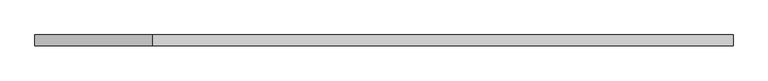
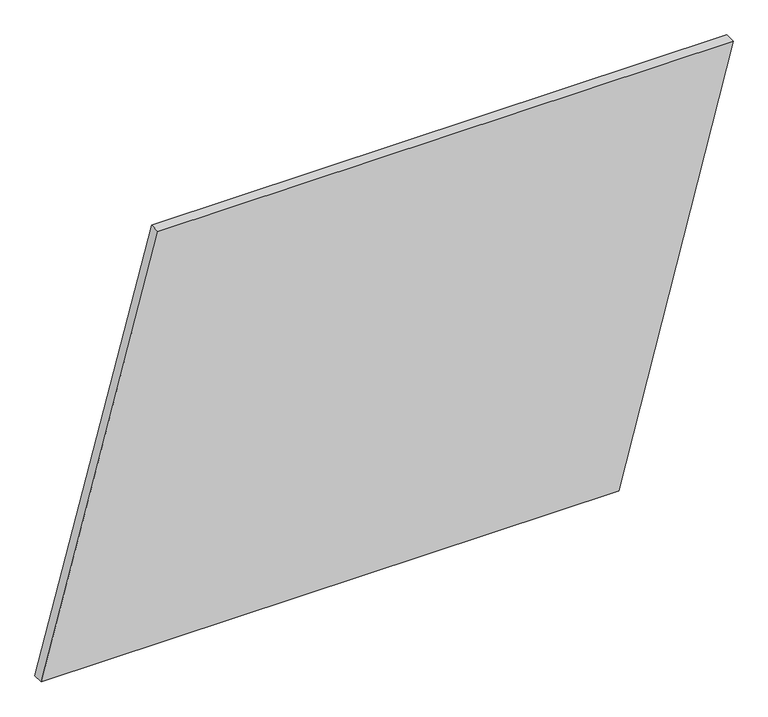
"""IFC4 building model written with IfcOpenShell, lengths in millimetres: plate geometry."""

from ifc_helpers import new_model, si_unit, frame, origin, place, context, project, spatial, polyline, outline, extrude, source, transform, mapped, element, save


def plate_a743c93b(model_context):
    return source(origin(), model_context, "Body", "SweptSolid", [
        extrude(outline(polyline([(0.0, -793.9147613), (0.0, 530.9980848), (1000.0, 793.9147613), (1000.0, -525.9655689), (0.0, -793.9147613)])), frame((0.0, 24.5, 0.0), z_axis=(0.0, 1.0, 0.0), x_axis=(0.0, 0.0, 1.0)), (0.0, 0.0, 1.0), 25.0),
    ])


if __name__ == "__main__":
    model = new_model("IFC4")
    model_context = context("Model", 3, world=origin())
    ifc_project = project(units=[si_unit("LENGTHUNIT", "METRE", prefix="MILLI")], contexts=[model_context])
    site = spatial("IfcSite", under=ifc_project)
    building = spatial("IfcBuilding", under=site)
    placement = place(None, origin())
    plate_shape = plate_a743c93b(model_context)
    element("IfcPlate", 1, at=placement, inside=building, context=model_context, shape_type="MappedRepresentation", body=[
        mapped(plate_shape, transform((0.0, 0.0, 0.0), x_axis=(1.0, 0.0, 0.0), y_axis=(0.0, 1.0, 0.0), z_axis=(0.0, 0.0, 1.0))),
    ])
    save(model, "model.ifc")
